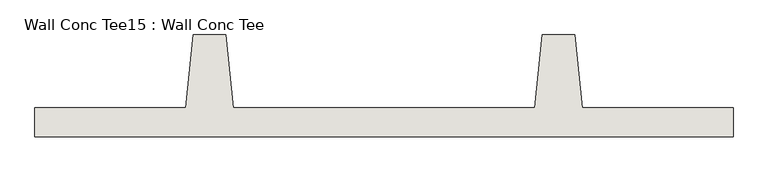
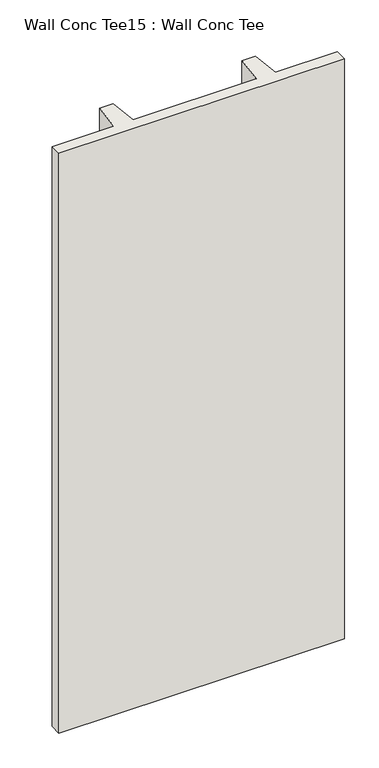
"""IFC4 building model written with IfcOpenShell, lengths in millimetres: wall geometry, Wall Conc Tee15 : Wall Conc Tee."""

from ifc_helpers import new_model, si_unit, frame, origin, place, context, project, spatial, polyline, outline, extrude, source, transform, mapped, element, save


def wall_conc_tee15_wall_conc_tee_fe3df27b(model_context):
    return source(origin(), model_context, "Body", "SweptSolid", [
        extrude(outline(polyline([(207734.6728488, 180886.8596581), (205296.2728488, 180886.8596581), (205296.2728488, 180988.4596581), (205823.3228488, 180988.4596581), (205848.7228488, 181242.4596581), (205963.0228488, 181242.4596581), (205988.4228488, 180988.4596581), (207042.5228488, 180988.4596581), (207067.9228488, 181242.4596581), (207182.2228488, 181242.4596581), (207207.6228488, 180988.4596581), (207734.6728488, 180988.4596581), (207734.6728488, 180886.8596581)])), frame((0.0, 0.0, 143.7592564), z_axis=(0.0, 0.0, 1.0), x_axis=(1.0, 0.0, 0.0)), (0.0, 0.0, 1.0), 5232.4087123),
    ])


if __name__ == "__main__":
    model = new_model("IFC4")
    model_context = context("Model", 3, world=origin())
    ifc_project = project(units=[si_unit("LENGTHUNIT", "METRE", prefix="MILLI")], contexts=[model_context])
    site = spatial("IfcSite", under=ifc_project)
    building = spatial("IfcBuilding", under=site)
    placement = place(None, origin())
    wall_conc_tee15_wall_conc_tee_shape = wall_conc_tee15_wall_conc_tee_fe3df27b(model_context)
    element("IfcWall", 1, ObjectType="Wall Conc Tee15 : Wall Conc Tee", at=placement, inside=building, context=model_context, shape_type="MappedRepresentation", body=[
        mapped(wall_conc_tee15_wall_conc_tee_shape, transform((0.0, 0.0, 0.0), x_axis=(1.0, 0.0, 0.0), y_axis=(0.0, 1.0, 0.0), z_axis=(0.0, 0.0, 1.0))),
    ])
    save(model, "model.ifc")
